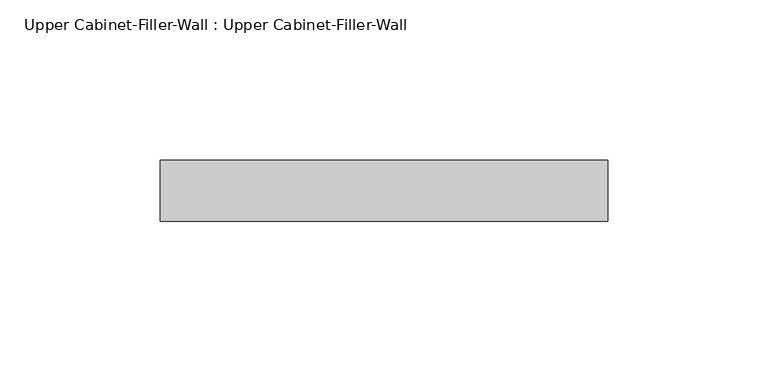
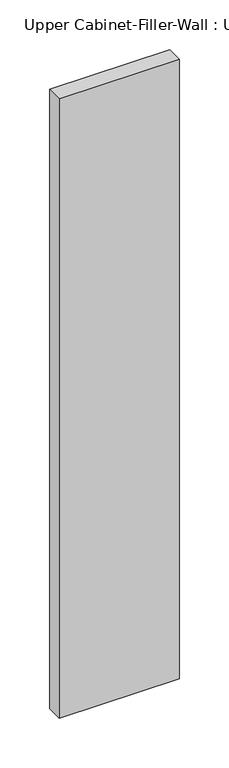
"""IFC4 building model written with IfcOpenShell, lengths in millimetres: furniture geometry, Upper Cabinet-Filler-Wall : Upper Cabinet-Filler-Wall."""

from ifc_helpers import new_model, si_unit, frame, origin, place, context, project, spatial, polyline, outline, extrude, source, transform, mapped, element, save


def upper_cabinet_filler_wall_upper_cabinet_filler_wall_4f18edbd(model_context):
    return source(origin(), model_context, "Body", "SweptSolid", [
        extrude(outline(polyline([(-40.0788372, 355.6), (-40.0788372, 374.65), (99.6211628, 374.65), (99.6211628, 355.6), (-40.0788372, 355.6)])), frame((0.0, 0.0, 1371.6), z_axis=(0.0, 0.0, 1.0), x_axis=(1.0, 0.0, 0.0)), (0.0, 0.0, 1.0), 762.0),
    ])


if __name__ == "__main__":
    model = new_model("IFC4")
    model_context = context("Model", 3, world=origin())
    ifc_project = project(units=[si_unit("LENGTHUNIT", "METRE", prefix="MILLI")], contexts=[model_context])
    site = spatial("IfcSite", under=ifc_project)
    building = spatial("IfcBuilding", under=site)
    placement = place(None, origin())
    upper_cabinet_filler_wall_upper_cabinet_filler_wall_shape = upper_cabinet_filler_wall_upper_cabinet_filler_wall_4f18edbd(model_context)
    element("IfcFurniture", 1, ObjectType="Upper Cabinet-Filler-Wall : Upper Cabinet-Filler-Wall", at=placement, inside=building, context=model_context, shape_type="MappedRepresentation", body=[
        mapped(upper_cabinet_filler_wall_upper_cabinet_filler_wall_shape, transform((0.0, 0.0, 0.0), x_axis=(1.0, 0.0, 0.0), y_axis=(0.0, 1.0, 0.0), z_axis=(0.0, 0.0, 1.0))),
    ])
    save(model, "model.ifc")
